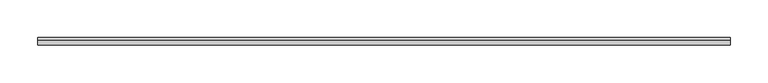
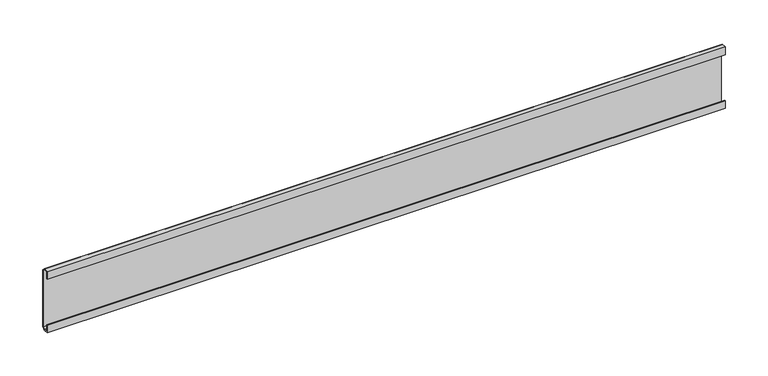
"""IFC4 building model written with IfcOpenShell, lengths in millimetres: furniture geometry."""

from ifc_helpers import new_model, si_unit, frame, origin, place, context, project, spatial, polyline, outline, extrude, source, transform, mapped, element, save


def furniture_e01b1ef1(model_context):
    return source(origin(), model_context, "Body", "SweptSolid", [
        extrude(outline(polyline([(29.5671875, 104.2233438), (35.9171874, 104.2233438), (39.0921875, 101.0285018), (39.0921875, 20.3835004), (35.917184, 17.2085), (29.5671875, 17.2085), (29.5671875, 28.0035022), (30.3609375, 28.0035022), (30.3609375, 18.0022534), (35.9171874, 18.0022534), (38.2984375, 20.3835035), (38.2984375, 101.0284987), (35.9171874, 103.4295938), (30.3609375, 103.4295938), (30.3609375, 93.4085), (29.5671875, 93.4085), (29.5671875, 104.2233438)])), frame((-456.009375, 0.0, 0.0), z_axis=(1.0, 0.0, 0.0), x_axis=(0.0, 1.0, 0.0)), (0.0, 0.0, 1.0), 912.01875),
    ])


if __name__ == "__main__":
    model = new_model("IFC4")
    model_context = context("Model", 3, world=origin())
    ifc_project = project(units=[si_unit("LENGTHUNIT", "METRE", prefix="MILLI")], contexts=[model_context])
    site = spatial("IfcSite", under=ifc_project)
    building = spatial("IfcBuilding", under=site)
    placement = place(None, origin())
    furniture_shape = furniture_e01b1ef1(model_context)
    element("IfcFurniture", 1, at=placement, inside=building, context=model_context, shape_type="MappedRepresentation", body=[
        mapped(furniture_shape, transform((0.0, 0.0, 0.0), x_axis=(1.0, 0.0, 0.0), y_axis=(0.0, 1.0, 0.0), z_axis=(0.0, 0.0, 1.0))),
    ])
    save(model, "model.ifc")
